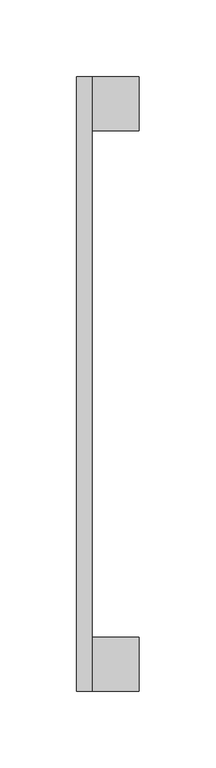
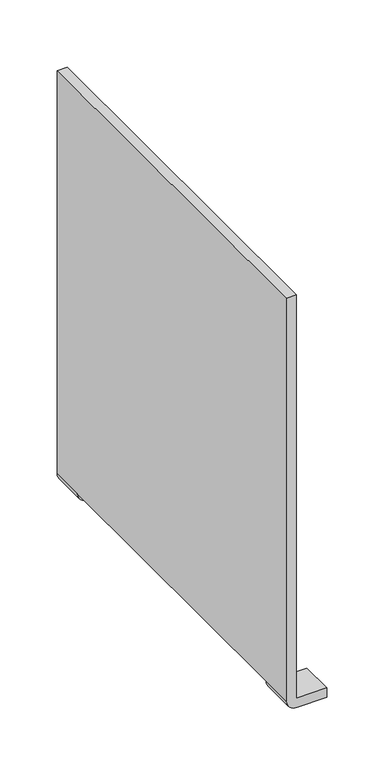
"""IFC4 building model written with IfcOpenShell, lengths in millimetres: furniture geometry."""

from ifc_helpers import new_model, si_unit, frame, origin, place, context, project, spatial, circle_curve, source, transform, mapped, element, save
from ifc_brep_helpers import plane_surface, cylinder_surface, advanced_brep


def furniture_1e122cb9(model_context):
    return source(origin(), model_context, "Body", "AdvancedBrep", [
        advanced_brep(
        [(5.0, 199.9997913, 10.0), (35.7588499, 199.9997913, 10.0), (35.7588499, 199.9997913, 0.0), (6.0, 199.9997913, 0.0), (-5.0, 199.9997913, 10.0), (-5.0, 199.9997913, 439.7588499), (5.0, 199.9997913, 439.7588499), (-5.0, 164.9997913, 10.0), (6.0, 164.9997913, 0.0), (35.7588499, 164.9997913, 0.0), (35.7588499, 164.9997913, 10.0), (5.0, 164.9997913, 10.0), (5.0, -200.0, 439.7588499), (5.0, -200.0, 10.0), (5.0, -164.9997913, 10.0), (-5.0, -200.0, 10.0), (-5.0, -200.0, 439.7588499), (-5.0, -164.9997913, 10.0), (6.0, -200.0, 0.0), (35.7588499, -200.0, 0.0), (35.7588499, -200.0, 10.0), (35.7588499, -164.9997913, 10.0), (35.7588499, -164.9997913, 0.0), (6.0, -164.9997913, 0.0)],
        [
            (0, 1),
            (1, 2),
            (2, 3),
            (3, 4, circle_curve(frame((5.0454545, 199.9997913, 10.0), z_axis=(0.0, 1.0, 0.0), x_axis=(-1.0, 0.0, 0.0)), 10.0454545)),
            (4, 5),
            (5, 6),
            (6, 0),
            (7, 8, circle_curve(frame((5.0454545, 164.9997913, 10.0), z_axis=(0.0, -1.0, 0.0), x_axis=(-1.0, 0.0, 0.0)), 10.0454545)),
            (8, 9),
            (9, 10),
            (10, 11),
            (11, 7),
            (0, 11),
            (10, 1),
            (9, 2),
            (8, 3),
            (7, 4),
            (6, 12),
            (12, 13),
            (13, 14),
            (14, 11),
            (15, 16),
            (16, 5),
            (7, 17),
            (17, 15),
            (16, 12),
            (15, 18, circle_curve(frame((5.0454545, -200.0, 10.0), z_axis=(0.0, -1.0, 0.0), x_axis=(-1.0, 0.0, 0.0)), 10.0454545)),
            (18, 19),
            (19, 20),
            (20, 13),
            (14, 17),
            (14, 21),
            (21, 22),
            (22, 23),
            (23, 17, circle_curve(frame((5.0454545, -164.9997913, 10.0), z_axis=(0.0, 1.0, 0.0), x_axis=(-1.0, 0.0, 0.0)), 10.0454545)),
            (20, 21),
            (19, 22),
            (18, 23),
        ],
        [
            plane_surface(frame((35.7588499, 199.9997913, 10.0), z_axis=(0.0, 1.0, 0.0), x_axis=(1.0, 0.0, 0.0))),
            plane_surface(frame((35.7588499, 164.9997913, 10.0), z_axis=(0.0, -1.0, 0.0), x_axis=(-1.0, 0.0, 0.0))),
            plane_surface(frame((5.0, 199.9997913, 10.0), z_axis=(0.0, 0.0, 1.0), x_axis=(0.0, -1.0, 0.0))),
            plane_surface(frame((35.7588499, 199.9997913, 10.0), z_axis=(1.0, 0.0, 0.0), x_axis=(0.0, -1.0, 0.0))),
            plane_surface(frame((35.7588499, 199.9997913, 0.0), z_axis=(0.0, 0.0, -1.0), x_axis=(0.0, -1.0, 0.0))),
            cylinder_surface(frame((5.0454545, 164.9997913, 10.0), z_axis=(0.0, 1.0, 0.0), x_axis=(-1.0, 0.0, 0.0)), 10.0454545),
            plane_surface(frame((5.0, 200.0, 11.0), z_axis=(1.0, 0.0, 0.0), x_axis=(0.0, 0.0, 1.0))),
            plane_surface(frame((-5.0, 200.0, 11.0), z_axis=(-1.0, 0.0, 0.0), x_axis=(0.0, 0.0, -1.0))),
            plane_surface(frame((5.0, 200.0, 439.7588499), z_axis=(0.0, 0.0, 1.0), x_axis=(-1.0, 0.0, 0.0))),
            plane_surface(frame((5.0, -200.0, 439.7588499), z_axis=(0.0, -1.0, 0.0), x_axis=(-1.0, 0.0, 0.0))),
            plane_surface(frame((5.0, -200.0, 10.0), z_axis=(0.0, 0.0, -1.0), x_axis=(-1.0, 0.0, 0.0))),
            plane_surface(frame((5.0, -164.9997913, 10.0), z_axis=(0.0, 1.0, 0.0), x_axis=(1.0, 0.0, 0.0))),
            plane_surface(frame((35.7588499, -199.9997913, 10.0), z_axis=(0.0, 0.0, 1.0), x_axis=(0.0, 1.0, 0.0))),
            plane_surface(frame((35.7588499, -199.9997913, 0.0), z_axis=(1.0, 0.0, 0.0), x_axis=(0.0, 1.0, 0.0))),
            plane_surface(frame((6.0, -199.9997913, 0.0), z_axis=(0.0, 0.0, -1.0), x_axis=(0.0, 1.0, 0.0))),
            cylinder_surface(frame((5.0454545, -164.9997913, 10.0), z_axis=(0.0, -1.0, 0.0), x_axis=(-1.0, 0.0, 0.0)), 10.0454545),
        ],
        [
            (0, [[1, 2, 3, 4, 5, 6, 7]]),
            (1, [[8, 9, 10, 11, 12]]),
            (2, [[-1, 13, -11, 14]]),
            (3, [[-2, -14, -10, 15]]),
            (4, [[-3, -15, -9, 16]]),
            (5, [[-4, -16, -8, 17]]),
            (6, [[-7, 18, 19, 20, 21, -13]]),
            (7, [[22, 23, -5, -17, 24, 25]]),
            (8, [[-18, -6, -23, 26]]),
            (9, [[-19, -26, -22, 27, 28, 29, 30]]),
            (10, [[-12, -21, 31, -24]]),
            (11, [[32, 33, 34, 35, -31]]),
            (12, [[-30, 36, -32, -20]]),
            (13, [[-29, 37, -33, -36]]),
            (14, [[-28, 38, -34, -37]]),
            (15, [[-27, -25, -35, -38]]),
        ],
    ),
    ])


if __name__ == "__main__":
    model = new_model("IFC4")
    model_context = context("Model", 3, world=origin())
    ifc_project = project(units=[si_unit("LENGTHUNIT", "METRE", prefix="MILLI")], contexts=[model_context])
    site = spatial("IfcSite", under=ifc_project)
    building = spatial("IfcBuilding", under=site)
    placement = place(None, origin())
    furniture_shape = furniture_1e122cb9(model_context)
    element("IfcFurniture", 1, at=placement, inside=building, context=model_context, shape_type="MappedRepresentation", body=[
        mapped(furniture_shape, transform((0.0, 0.0, 0.0), x_axis=(1.0, 0.0, 0.0), y_axis=(0.0, 1.0, 0.0), z_axis=(0.0, 0.0, 1.0))),
    ])
    save(model, "model.ifc")
